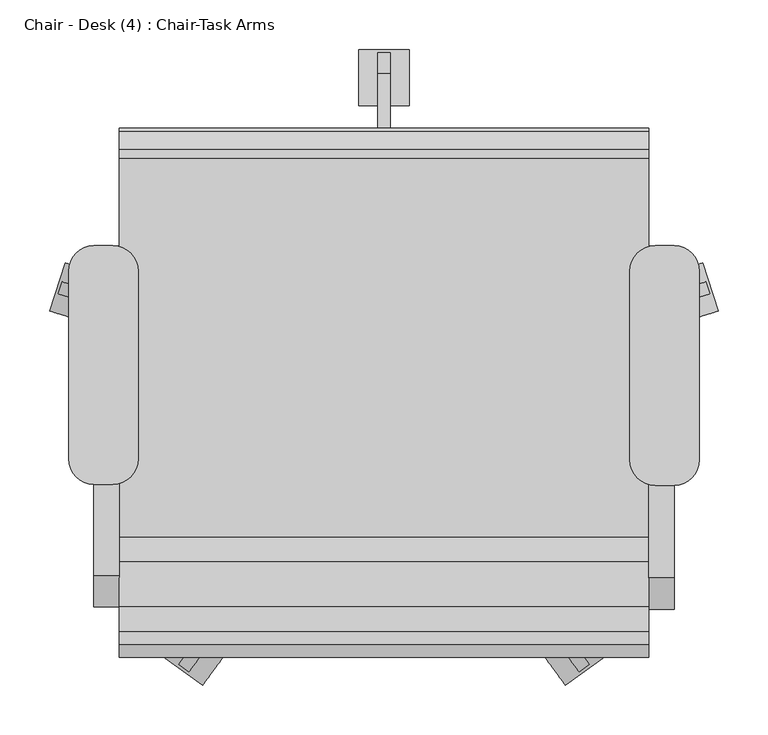
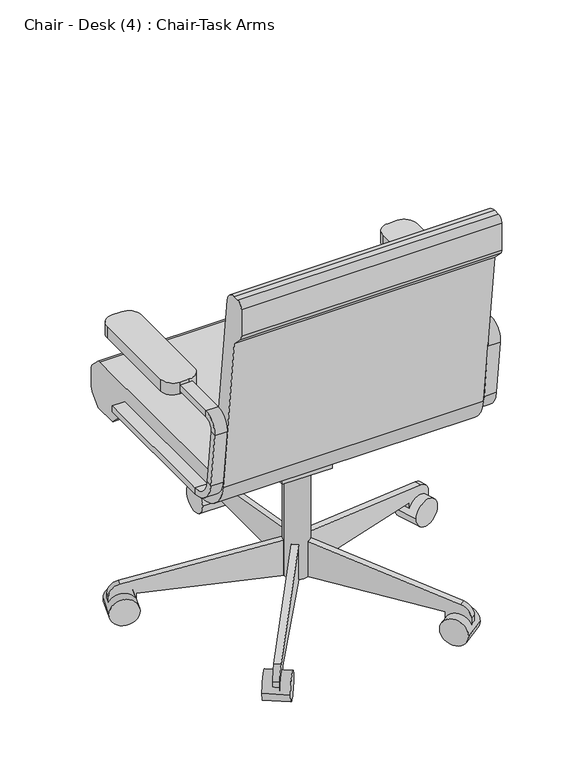
"""IFC4 building model written with IfcOpenShell, lengths in millimetres: furniture geometry, Chair - Desk (4) : Chair-Task Arms."""

from ifc_helpers import new_model, si_unit, point, frame, frame_2d, origin, place, context, project, spatial, polyline, circle_curve, trimmed, segment, composite_curve, outline, extrude, source, transform, mapped, element, save
from ifc_brep_helpers import plane_surface, cylinder_surface, revolved_surface, advanced_brep


def chair_desk_4_chair_task_arms_fa5a08ef(model_context):
    return source(origin(), model_context, "Body", "SolidModel", [
        extrude(outline(composite_curve([segment(polyline([(433.0908197, -74.2028048), (414.0408197, -74.2028048)]), True, "CONTINUOUS"), segment(trimmed(circle_curve(frame_2d((414.0408197, -48.8028048)), 25.4), [point((414.0408197, -74.2028048))], [point((388.6408197, -48.8028048))], False, "CARTESIAN"), True, "CONTINUOUS"), segment(polyline([(388.6408197, -48.8028048), (388.6408197, 141.6319091)]), True, "CONTINUOUS"), segment(trimmed(circle_curve(frame_2d((414.0408197, 141.6319091)), 25.4), [point((388.6408197, 141.6319091))], [point((414.0408197, 167.0319091))], False, "CARTESIAN"), True, "CONTINUOUS"), segment(polyline([(414.0408197, 167.0319091), (433.0908197, 167.0319091)]), True, "CONTINUOUS"), segment(trimmed(circle_curve(frame_2d((433.0908197, 141.6319091)), 25.4), [point((433.0908197, 167.0319091))], [point((458.4908197, 141.6319091))], False, "CARTESIAN"), True, "CONTINUOUS"), segment(polyline([(458.4908197, 141.6319091), (458.4908197, -48.8028048)]), True, "CONTINUOUS"), segment(trimmed(circle_curve(frame_2d((433.0908197, -48.8028048)), 25.4), [point((458.4908197, -48.8028048))], [point((433.0908197, -74.2028048))], False, "CARTESIAN"), True, "CONTINUOUS")], self_intersect=False)), frame((0.0, 0.0, 596.9), z_axis=(0.0, 0.0, 1.0), x_axis=(1.0, 0.0, 0.0)), (0.0, 0.0, 1.0), 25.4),
        extrude(outline(composite_curve([segment(polyline([(-132.0591803, -73.1575984), (-151.1091803, -73.1575984)]), True, "CONTINUOUS"), segment(trimmed(circle_curve(frame_2d((-151.1091803, -47.7575984)), 25.4), [point((-151.1091803, -73.1575984))], [point((-176.5091803, -47.7575984))], False, "CARTESIAN"), True, "CONTINUOUS"), segment(polyline([(-176.5091803, -47.7575984), (-176.5091803, 141.6319091)]), True, "CONTINUOUS"), segment(trimmed(circle_curve(frame_2d((-151.1091803, 141.6319091)), 25.4), [point((-176.5091803, 141.6319091))], [point((-151.1091803, 167.0319091))], False, "CARTESIAN"), True, "CONTINUOUS"), segment(polyline([(-151.1091803, 167.0319091), (-132.0591803, 167.0319091)]), True, "CONTINUOUS"), segment(trimmed(circle_curve(frame_2d((-132.0591803, 141.6319091)), 25.4), [point((-132.0591803, 167.0319091))], [point((-106.6591803, 141.6319091))], False, "CARTESIAN"), True, "CONTINUOUS"), segment(polyline([(-106.6591803, 141.6319091), (-106.6591803, -47.7575984)]), True, "CONTINUOUS"), segment(trimmed(circle_curve(frame_2d((-132.0591803, -47.7575984)), 25.4), [point((-106.6591803, -47.7575984))], [point((-132.0591803, -73.1575984))], False, "CARTESIAN"), True, "CONTINUOUS")], self_intersect=False)), frame((0.0, 0.0, 596.9), z_axis=(0.0, 0.0, 1.0), x_axis=(1.0, 0.0, 0.0)), (0.0, 0.0, 1.0), 25.4),
        advanced_brep(
        [(-151.1091803, 167.0319091, 412.75), (-151.1091803, 167.0319091, 425.45), (-125.7091803, 167.0319091, 425.45), (-125.7091803, 167.0319091, 412.75), (-151.1091803, -126.2388651, 412.75), (-151.1091803, -126.2388651, 425.45), (-125.7091803, -126.2388651, 425.45), (-125.7091803, -126.2388651, 412.75), (-151.1091803, -170.3844094, 464.7064065), (-151.1091803, -182.9974221, 463.2225227), (-125.7091803, -170.3844094, 464.7064065), (-125.7091803, -182.9974221, 463.2225227), (-151.1091803, -196.7936301, 580.4902904), (-151.1091803, -184.1806174, 581.9741742), (-125.7091803, -184.1806174, 581.9741742), (-125.7091803, -196.7936301, 580.4902904), (-151.1091803, -165.2610984, 603.25), (-151.1091803, -165.2610984, 615.95), (-125.7091803, -165.2610984, 603.25), (-125.7091803, -165.2610984, 615.95), (-151.1091803, 18.9459016, 615.95), (-125.7091803, 18.9459016, 615.95), (-125.7091803, 18.9459016, 603.25), (-151.1091803, 18.9459016, 603.25)],
        [
            (0, 1),
            (1, 2),
            (2, 3),
            (3, 0),
            (0, 4),
            (4, 5),
            (5, 1),
            (5, 6),
            (6, 2),
            (6, 7),
            (7, 3),
            (7, 4),
            (8, 5, circle_curve(frame((-151.1091803, -126.2388651, 469.9), z_axis=(1.0, 0.0, 0.0), x_axis=(0.0, 0.0, -1.0)), 44.45)),
            (4, 9, circle_curve(frame((-151.1091803, -126.2388651, 469.9), z_axis=(-1.0, 0.0, 0.0), x_axis=(0.0, 0.0, -1.0)), 57.15)),
            (9, 8),
            (10, 6, circle_curve(frame((-125.7091803, -126.2388651, 469.9), z_axis=(1.0, 0.0, 0.0), x_axis=(0.0, 0.0, -1.0)), 44.45)),
            (8, 10),
            (11, 7, circle_curve(frame((-125.7091803, -126.2388651, 469.9), z_axis=(1.0, 0.0, 0.0), x_axis=(0.0, 0.0, -1.0)), 57.15)),
            (10, 11),
            (11, 9),
            (9, 12),
            (12, 13),
            (13, 8),
            (13, 14),
            (14, 10),
            (14, 15),
            (15, 11),
            (15, 12),
            (16, 13, circle_curve(frame((-151.1091803, -165.2610984, 584.2), z_axis=(1.0, 0.0, 0.0), x_axis=(0.0, -0.9931506043228768, -0.11684124756739202)), 19.05)),
            (12, 17, circle_curve(frame((-151.1091803, -165.2610984, 584.2), z_axis=(-1.0, 0.0, 0.0), x_axis=(0.0, -0.9931506043228768, -0.11684124756739202)), 31.75)),
            (17, 16),
            (18, 14, circle_curve(frame((-125.7091803, -165.2610984, 584.2), z_axis=(1.0, 0.0, 0.0), x_axis=(0.0, -0.9931506043228768, -0.11684124756739202)), 19.05)),
            (16, 18),
            (19, 15, circle_curve(frame((-125.7091803, -165.2610984, 584.2), z_axis=(1.0, 0.0, 0.0), x_axis=(0.0, -0.9931506043228768, -0.11684124756739202)), 31.75)),
            (18, 19),
            (19, 17),
            (20, 21),
            (21, 22),
            (22, 23),
            (23, 20),
            (17, 20),
            (23, 16),
            (22, 18),
            (21, 19),
        ],
        [
            plane_surface(frame((-152.608212, 167.0319091, 419.1), z_axis=(0.0, 1.0, 0.0), x_axis=(0.0, 0.0, -1.0))),
            plane_surface(frame((-151.1091803, 167.0319091, 412.75), z_axis=(-1.0, 0.0, 0.0), x_axis=(0.0, -1.0, 0.0))),
            plane_surface(frame((-151.1091803, 167.0319091, 425.45), z_axis=(0.0, 0.0, 1.0), x_axis=(0.0, -1.0, 0.0))),
            plane_surface(frame((-125.7091803, 167.0319091, 425.45), z_axis=(1.0, 0.0, 0.0), x_axis=(0.0, -1.0, 0.0))),
            plane_surface(frame((-125.7091803, 167.0319091, 412.75), z_axis=(0.0, 0.0, -1.0), x_axis=(0.0, -1.0, 0.0))),
            plane_surface(frame((-151.1091803, -126.2388651, 469.9), z_axis=(-1.0, 0.0, 0.0), x_axis=(0.0, 0.0, -1.0))),
            revolved_surface(polyline([(-151.1091803, -126.2388651, 425.45), (-125.7091803, -126.2388651, 425.45)]), (-138.4091803, -126.2388651, 469.9), (-1.0, 0.0, 0.0)),
            plane_surface(frame((-125.7091803, -126.2388651, 469.9), z_axis=(1.0, 0.0, 0.0), x_axis=(0.0, 0.0, -1.0))),
            cylinder_surface(frame((-138.4091803, -126.2388651, 469.9), z_axis=(-1.0, 0.0, 0.0), x_axis=(0.0, 0.0, -1.0)), 57.15),
            plane_surface(frame((-151.1091803, -182.9974221, 463.2225227), z_axis=(-1.0, 0.0, 0.0), x_axis=(0.0, -0.1168412475673856, 0.9931506043228776))),
            plane_surface(frame((-151.1091803, -170.3844094, 464.7064065), z_axis=(0.0, 0.9931506043228776, 0.1168412475673856), x_axis=(0.0, -0.1168412475673856, 0.9931506043228776))),
            plane_surface(frame((-125.7091803, -170.3844094, 464.7064065), z_axis=(1.0, 0.0, 0.0), x_axis=(0.0, -0.1168412475673856, 0.9931506043228776))),
            plane_surface(frame((-125.7091803, -182.9974221, 463.2225227), z_axis=(0.0, -0.9931506043228776, -0.1168412475673856), x_axis=(0.0, -0.1168412475673856, 0.9931506043228776))),
            plane_surface(frame((-151.1091803, -165.2610984, 584.2), z_axis=(-1.0, 0.0, 0.0), x_axis=(0.0, -0.9931506043228768, -0.11684124756739202))),
            revolved_surface(polyline([(-151.1091803, -184.1806174123508, 581.9741742338413), (-125.7091803, -184.1806174123508, 581.9741742338413)]), (-138.4091803, -165.2610984, 584.2), (-1.0, 0.0, 0.0)),
            plane_surface(frame((-125.7091803, -165.2610984, 584.2), z_axis=(1.0, 0.0, 0.0), x_axis=(0.0, -0.9931506043228768, -0.11684124756739202))),
            cylinder_surface(frame((-138.4091803, -165.2610984, 584.2), z_axis=(-1.0, 0.0, 0.0), x_axis=(0.0, -0.9931506043228768, -0.11684124756739202)), 31.75),
            plane_surface(frame((-152.608212, 18.9459016, 609.6), z_axis=(0.0, 1.0, 0.0), x_axis=(0.0, 0.0, 1.0))),
            plane_surface(frame((-151.1091803, -165.2610984, 615.95), z_axis=(-1.0, 0.0, 0.0), x_axis=(0.0, 1.0, 0.0))),
            plane_surface(frame((-151.1091803, -165.2610984, 603.25), z_axis=(0.0, 0.0, -1.0), x_axis=(0.0, 1.0, 0.0))),
            plane_surface(frame((-125.7091803, -165.2610984, 603.25), z_axis=(1.0, 0.0, 0.0), x_axis=(0.0, 1.0, 0.0))),
            plane_surface(frame((-125.7091803, -165.2610984, 615.95), z_axis=(0.0, 0.0, 1.0), x_axis=(0.0, 1.0, 0.0))),
        ],
        [
            (0, [[1, 2, 3, 4]]),
            (1, [[-1, 5, 6, 7]]),
            (2, [[-2, -7, 8, 9]]),
            (3, [[-3, -9, 10, 11]]),
            (4, [[-4, -11, 12, -5]]),
            (5, [[13, -6, 14, 15]]),
            (6, [[16, -8, -13, 17]]),
            (7, [[18, -10, -16, 19]]),
            (8, [[-14, -12, -18, 20]]),
            (9, [[-15, 21, 22, 23]]),
            (10, [[-17, -23, 24, 25]]),
            (11, [[-19, -25, 26, 27]]),
            (12, [[-20, -27, 28, -21]]),
            (13, [[29, -22, 30, 31]]),
            (14, [[32, -24, -29, 33]]),
            (15, [[34, -26, -32, 35]]),
            (16, [[-30, -28, -34, 36]]),
            (17, [[37, 38, 39, 40]]),
            (18, [[-31, 41, -40, 42]]),
            (19, [[-33, -42, -39, 43]]),
            (20, [[-35, -43, -38, 44]]),
            (21, [[-36, -44, -37, -41]]),
        ],
    ),
        advanced_brep(
        [(433.0908197, 167.0319091, 425.45), (433.0908197, 167.0319091, 412.75), (407.6908197, 167.0319091, 412.75), (407.6908197, 167.0319091, 425.45), (433.0908197, -128.329278, 425.45), (433.0908197, -128.329278, 412.75), (407.6908197, -128.329278, 412.75), (407.6908197, -128.329278, 425.45), (433.0908197, -185.0878351, 463.2225227), (433.0908197, -172.4748224, 464.7064065), (407.6908197, -185.0878351, 463.2225227), (407.6908197, -172.4748224, 464.7064065), (433.0908197, -186.2710303, 581.9741742), (433.0908197, -198.884043, 580.4902904), (407.6908197, -198.884043, 580.4902904), (407.6908197, -186.2710303, 581.9741742), (433.0908197, -167.3515113, 615.95), (433.0908197, -167.3515113, 603.25), (407.6908197, -167.3515113, 615.95), (407.6908197, -167.3515113, 603.25), (433.0908197, 18.9459016, 603.25), (407.6908197, 18.9459016, 603.25), (407.6908197, 18.9459016, 615.95), (433.0908197, 18.9459016, 615.95)],
        [
            (0, 1),
            (1, 2),
            (2, 3),
            (3, 0),
            (0, 4),
            (4, 5),
            (5, 1),
            (5, 6),
            (6, 2),
            (6, 7),
            (7, 3),
            (7, 4),
            (8, 5, circle_curve(frame((433.0908197, -128.329278, 469.9), z_axis=(1.0, 0.0, 0.0), x_axis=(0.0, 0.0, -1.0)), 57.15)),
            (4, 9, circle_curve(frame((433.0908197, -128.329278, 469.9), z_axis=(-1.0, 0.0, 0.0), x_axis=(0.0, 0.0, -1.0)), 44.45)),
            (9, 8),
            (10, 6, circle_curve(frame((407.6908197, -128.329278, 469.9), z_axis=(1.0, 0.0, 0.0), x_axis=(0.0, 0.0, -1.0)), 57.15)),
            (8, 10),
            (11, 7, circle_curve(frame((407.6908197, -128.329278, 469.9), z_axis=(1.0, 0.0, 0.0), x_axis=(0.0, 0.0, -1.0)), 44.45)),
            (10, 11),
            (11, 9),
            (9, 12),
            (12, 13),
            (13, 8),
            (13, 14),
            (14, 10),
            (14, 15),
            (15, 11),
            (15, 12),
            (16, 13, circle_curve(frame((433.0908197, -167.3515113, 584.2), z_axis=(1.0, 0.0, 0.0), x_axis=(0.0, -0.9931506043228767, -0.1168412475673929)), 31.75)),
            (12, 17, circle_curve(frame((433.0908197, -167.3515113, 584.2), z_axis=(-1.0, 0.0, 0.0), x_axis=(0.0, -0.9931506043228767, -0.1168412475673929)), 19.05)),
            (17, 16),
            (18, 14, circle_curve(frame((407.6908197, -167.3515113, 584.2), z_axis=(1.0, 0.0, 0.0), x_axis=(0.0, -0.9931506043228767, -0.1168412475673929)), 31.75)),
            (16, 18),
            (19, 15, circle_curve(frame((407.6908197, -167.3515113, 584.2), z_axis=(1.0, 0.0, 0.0), x_axis=(0.0, -0.9931506043228767, -0.1168412475673929)), 19.05)),
            (18, 19),
            (19, 17),
            (20, 21),
            (21, 22),
            (22, 23),
            (23, 20),
            (17, 20),
            (23, 16),
            (22, 18),
            (21, 19),
        ],
        [
            plane_surface(frame((406.191788, 167.0319091, 419.1), z_axis=(0.0, 1.0, 0.0), x_axis=(0.0, 0.0, -1.0))),
            plane_surface(frame((433.0908197, 167.0319091, 425.45), z_axis=(1.0, 0.0, 0.0), x_axis=(0.0, -1.0, 0.0))),
            plane_surface(frame((433.0908197, 167.0319091, 412.75), z_axis=(0.0, 0.0, -1.0), x_axis=(0.0, -1.0, 0.0))),
            plane_surface(frame((407.6908197, 167.0319091, 412.75), z_axis=(-1.0, 0.0, 0.0), x_axis=(0.0, -1.0, 0.0))),
            plane_surface(frame((407.6908197, 167.0319091, 425.45), z_axis=(0.0, 0.0, 1.0), x_axis=(0.0, -1.0, 0.0))),
            plane_surface(frame((433.0908197, -128.329278, 469.9), z_axis=(1.0, 0.0, 0.0), x_axis=(0.0, 0.0, -1.0))),
            cylinder_surface(frame((420.3908197, -128.329278, 469.9), z_axis=(-1.0, 0.0, 0.0), x_axis=(0.0, 0.0, -1.0)), 57.15),
            plane_surface(frame((407.6908197, -128.329278, 469.9), z_axis=(-1.0, 0.0, 0.0), x_axis=(0.0, 0.0, -1.0))),
            revolved_surface(polyline([(407.6908197, -128.329278, 425.45), (433.0908197, -128.329278, 425.45)]), (420.3908197, -128.329278, 469.9), (-1.0, 0.0, 0.0)),
            plane_surface(frame((433.0908197, -172.4748224, 464.7064065), z_axis=(1.0, 0.0, 0.0), x_axis=(0.0, -0.11684124756738626, 0.9931506043228775))),
            plane_surface(frame((433.0908197, -185.0878351, 463.2225227), z_axis=(0.0, -0.9931506043228775, -0.11684124756738655), x_axis=(0.0, -0.11684124756738655, 0.9931506043228775))),
            plane_surface(frame((407.6908197, -185.0878351, 463.2225227), z_axis=(-1.0, 0.0, 0.0), x_axis=(0.0, -0.11684124756738626, 0.9931506043228775))),
            plane_surface(frame((407.6908197, -172.4748224, 464.7064065), z_axis=(0.0, 0.9931506043228775, 0.11684124756738626), x_axis=(0.0, -0.11684124756738626, 0.9931506043228775))),
            plane_surface(frame((433.0908197, -167.3515113, 584.2), z_axis=(1.0, 0.0, 0.0), x_axis=(0.0, -0.9931506043228767, -0.1168412475673929))),
            cylinder_surface(frame((420.3908197, -167.3515113, 584.2), z_axis=(-1.0, 0.0, 0.0), x_axis=(0.0, -0.9931506043228767, -0.1168412475673929)), 31.75),
            plane_surface(frame((407.6908197, -167.3515113, 584.2), z_axis=(-1.0, 0.0, 0.0), x_axis=(0.0, -0.9931506043228767, -0.1168412475673929))),
            revolved_surface(polyline([(407.6908197, -186.2710303123508, 581.9741742338412), (433.0908197, -186.2710303123508, 581.9741742338412)]), (420.3908197, -167.3515113, 584.2), (-1.0, 0.0, 0.0)),
            plane_surface(frame((406.191788, 18.9459016, 609.6), z_axis=(0.0, 1.0, 0.0), x_axis=(0.0, 0.0, 1.0))),
            plane_surface(frame((433.0908197, -167.3515113, 603.25), z_axis=(1.0, 0.0, 0.0), x_axis=(0.0, 1.0, 0.0))),
            plane_surface(frame((433.0908197, -167.3515113, 615.95), z_axis=(0.0, 0.0, 1.0), x_axis=(0.0, 1.0, 0.0))),
            plane_surface(frame((407.6908197, -167.3515113, 615.95), z_axis=(-1.0, 0.0, 0.0), x_axis=(0.0, 1.0, 0.0))),
            plane_surface(frame((407.6908197, -167.3515113, 603.25), z_axis=(0.0, 0.0, -1.0), x_axis=(0.0, 1.0, 0.0))),
        ],
        [
            (0, [[1, 2, 3, 4]]),
            (1, [[-1, 5, 6, 7]]),
            (2, [[-2, -7, 8, 9]]),
            (3, [[-3, -9, 10, 11]]),
            (4, [[-4, -11, 12, -5]]),
            (5, [[13, -6, 14, 15]]),
            (6, [[16, -8, -13, 17]]),
            (7, [[18, -10, -16, 19]]),
            (8, [[-14, -12, -18, 20]]),
            (9, [[-15, 21, 22, 23]]),
            (10, [[-17, -23, 24, 25]]),
            (11, [[-19, -25, 26, 27]]),
            (12, [[-20, -27, 28, -21]]),
            (13, [[29, -22, 30, 31]]),
            (14, [[32, -24, -29, 33]]),
            (15, [[34, -26, -32, 35]]),
            (16, [[-30, -28, -34, 36]]),
            (17, [[37, 38, 39, 40]]),
            (18, [[-31, 41, -40, 42]]),
            (19, [[-33, -42, -39, 43]]),
            (20, [[-35, -43, -38, 44]]),
            (21, [[-36, -44, -37, -41]]),
        ],
    ),
        extrude(outline(composite_curve([segment(trimmed(circle_curve(frame_2d((140.9908197, 18.9459016)), 25.4), [point((115.5908197, 18.9459016))], [point((166.3908197, 18.9459016))], False, "CARTESIAN"), True, "CONTINUOUS"), segment(trimmed(circle_curve(frame_2d((140.9908197, 18.9459016)), 25.4), [point((166.3908197, 18.9459016))], [point((115.5908197, 18.9459016))], False, "CARTESIAN"), True, "CONTINUOUS")], self_intersect=False)), frame((0.0, 0.0, 53.5835944), z_axis=(0.0, 0.0, 1.0), x_axis=(1.0, 0.0, 0.0)), (0.0, 0.0, 1.0), 330.5914056),
        extrude(outline(composite_curve([segment(trimmed(circle_curve(frame_2d((0.0, -28.2002727)), 28.2002727), [point((0.0, -56.4005455))], [point((0.0, 0.0))], False, "CARTESIAN"), True, "CONTINUOUS"), segment(trimmed(circle_curve(frame_2d((0.0, -28.2002727)), 28.2002727), [point((0.0, 0.0))], [point((0.0, -56.4005455))], False, "CARTESIAN"), True, "CONTINUOUS")], self_intersect=False)), frame((477.6203484, 101.6163254, 28.1835944), z_axis=(-0.3090169943749423, 0.9510565162951553, 0.0), x_axis=(0.0, 0.0, 1.0)), (0.0, 0.0, 1.0), 50.8),
        extrude(outline(composite_curve([segment(polyline([(-25.4, 0.0), (0.0, 0.0), (0.0, -50.8), (-24.303053, -50.8)]), True, "CONTINUOUS"), segment(trimmed(circle_curve(frame_2d((-24.303053, -25.4)), 25.4), [point((-24.303053, -50.8))], [point((-49.3171699, -29.8106637))], False, "CARTESIAN"), True, "CONTINUOUS"), segment(polyline([(-49.3171699, -29.8106637), (-101.6, 266.7), (-101.6, 292.1), (-25.4, 292.1), (-25.4, 0.0)]), True, "CONTINUOUS")], self_intersect=False)), frame((420.756686, 103.1705568, 28.1835944), z_axis=(-0.3090169943749423, 0.9510565162951553, 0.0), x_axis=(0.0, 0.0, -1.0)), (0.0, 0.0, 1.0), 12.7),
        extrude(outline(composite_curve([segment(trimmed(circle_curve(frame_2d((0.0, -28.2002727)), 28.2002727), [point((0.0, -56.4005455))], [point((0.0, 0.0))], False, "CARTESIAN"), True, "CONTINUOUS"), segment(trimmed(circle_curve(frame_2d((0.0, -28.2002727)), 28.2002727), [point((0.0, 0.0))], [point((0.0, -56.4005455))], False, "CARTESIAN"), True, "CONTINUOUS")], self_intersect=False)), frame((323.63931, -275.6612394, 28.1835944), z_axis=(0.8090169943749499, 0.5877852522924699, 0.0), x_axis=(0.0, 0.0, 1.0)), (0.0, 0.0, 1.0), 50.8),
        extrude(outline(composite_curve([segment(polyline([(-25.4, 0.0), (0.0, 0.0), (0.0, -50.8), (-24.303053, -50.8)]), True, "CONTINUOUS"), segment(trimmed(circle_curve(frame_2d((-24.303053, -25.3999999)), 25.4), [point((-24.303053, -50.8))], [point((-49.3171699, -29.8106636))], False, "CARTESIAN"), True, "CONTINUOUS"), segment(polyline([(-49.3171699, -29.8106636), (-101.6, 266.7), (-101.6, 292.1), (-25.4, 292.1), (-25.4, 0.0)]), True, "CONTINUOUS")], self_intersect=False)), frame((307.545634, -221.1003988, 28.1835944), z_axis=(0.8090169943749499, 0.5877852522924699, 0.0), x_axis=(0.0, 0.0, -1.0)), (0.0, 0.0, 1.0), 12.7),
        extrude(outline(composite_curve([segment(trimmed(circle_curve(frame_2d((0.0, -28.2002727)), 28.2002727), [point((0.0, -56.4005455))], [point((0.0, 0.0))], False, "CARTESIAN"), True, "CONTINUOUS"), segment(trimmed(circle_curve(frame_2d((0.0, -28.2002727)), 28.2002727), [point((0.0, 0.0))], [point((0.0, -56.4005455))], False, "CARTESIAN"), True, "CONTINUOUS")], self_intersect=False)), frame((-41.6576707, -275.6612394, 28.1835944), z_axis=(-0.8090169943749458, 0.5877852522924754, 0.0), x_axis=(0.0, 0.0, -1.0)), (0.0, 0.0, 1.0), 50.8),
        extrude(outline(composite_curve([segment(polyline([(25.4, 0.0), (25.4, 292.1), (101.6, 292.1), (101.6, 266.7), (49.3171699, -29.8106637)]), True, "CONTINUOUS"), segment(trimmed(circle_curve(frame_2d((24.303053, -25.3999999)), 25.4), [point((49.3171699, -29.8106637))], [point((24.303053, -50.8))], False, "CARTESIAN"), True, "CONTINUOUS"), segment(polyline([(24.303053, -50.8), (0.0, -50.8), (0.0, 0.0), (25.4, 0.0)]), True, "CONTINUOUS")], self_intersect=False)), frame((-25.5639946, -221.1003988, 28.1835944), z_axis=(-0.8090169943749459, 0.5877852522924754, 0.0), x_axis=(0.0, 0.0, 1.0)), (0.0, 0.0, 1.0), 12.7),
        extrude(outline(composite_curve([segment(trimmed(circle_curve(frame_2d((0.0, -28.2002727)), 28.2002727), [point((0.0, -56.4005454))], [point((0.0, 0.0))], False, "CARTESIAN"), True, "CONTINUOUS"), segment(trimmed(circle_curve(frame_2d((0.0, -28.2002727)), 28.2002727), [point((0.0, 0.0))], [point((0.0, -56.4005454))], False, "CARTESIAN"), True, "CONTINUOUS")], self_intersect=False)), frame((-195.638709, 101.6163254, 28.1835944), z_axis=(0.3090169943749487, 0.9510565162951532, 0.0), x_axis=(0.0, 0.0, -1.0)), (0.0, 0.0, 1.0), 50.8),
        extrude(outline(composite_curve([segment(polyline([(25.4, 0.0), (25.4, 292.1000001), (101.6, 292.1000001), (101.6, 266.7), (49.3171699, -29.8106636)]), True, "CONTINUOUS"), segment(trimmed(circle_curve(frame_2d((24.303053, -25.4)), 25.4), [point((49.3171699, -29.8106636))], [point((24.303053, -50.8))], False, "CARTESIAN"), True, "CONTINUOUS"), segment(polyline([(24.303053, -50.8), (0.0, -50.8), (0.0, 0.0), (25.4, 0.0)]), True, "CONTINUOUS")], self_intersect=False)), frame((-138.7750467, 103.1705568, 28.1835944), z_axis=(0.3090169943749487, 0.9510565162951532, 0.0), x_axis=(0.0, 0.0, 1.0)), (0.0, 0.0, 1.0), 12.7),
        extrude(outline(composite_curve([segment(trimmed(circle_curve(frame_2d((336.4459016, 28.1835944)), 28.2002727), [point((308.2456289, 28.1835944))], [point((364.6461744, 28.1835944))], False, "CARTESIAN"), True, "CONTINUOUS"), segment(trimmed(circle_curve(frame_2d((336.4459016, 28.1835944)), 28.2002727), [point((364.6461744, 28.1835944))], [point((308.2456289, 28.1835944))], False, "CARTESIAN"), True, "CONTINUOUS")], self_intersect=False)), frame((115.5908197, 0.0, 0.0), z_axis=(1.0, 0.0, 0.0), x_axis=(0.0, 1.0, 0.0)), (0.0, 0.0, 1.0), 50.8),
        extrude(outline(composite_curve([segment(polyline([(311.0459016, 53.5835944), (18.9459016, 53.5835944), (18.9459016, 129.7835944), (44.3459016, 129.7835944), (340.8565654, 77.5007643)]), True, "CONTINUOUS"), segment(trimmed(circle_curve(frame_2d((336.4459016, 52.4866474)), 25.4), [point((340.8565654, 77.5007643))], [point((361.8459016, 52.4866474))], False, "CARTESIAN"), True, "CONTINUOUS"), segment(polyline([(361.8459016, 52.4866474), (361.8459016, 28.1835944), (311.0459016, 28.1835944), (311.0459016, 53.5835944)]), True, "CONTINUOUS")], self_intersect=False)), frame((134.6408197, 0.0, 0.0), z_axis=(1.0, 0.0, 0.0), x_axis=(0.0, 1.0, 0.0)), (0.0, 0.0, 1.0), 12.7),
        extrude(outline(polyline([(69.7459016, 383.7835944), (69.7459016, 371.0835944), (18.9459016, 283.0954134), (-19.1540984, 283.0954134), (-19.1540984, 383.7835944), (69.7459016, 383.7835944)])), frame((90.1908197, 0.0, 0.0), z_axis=(1.0, 0.0, 0.0), x_axis=(0.0, 1.0, 0.0)), (0.0, 0.0, 1.0), 101.6),
        extrude(outline(composite_curve([segment(polyline([(-126.2050455, 457.2), (255.0102301, 457.2)]), True, "CONTINUOUS"), segment(trimmed(circle_curve(frame_2d((255.0102301, 444.5)), 12.7), [point((255.0102301, 457.2))], [point((263.9604301, 453.510212))], False, "CARTESIAN"), True, "CONTINUOUS"), segment(polyline([(263.9604301, 453.510212), (281.8961016, 435.6939999)]), True, "CONTINUOUS"), segment(trimmed(circle_curve(frame_2d((272.9459016, 426.6837879)), 12.7), [point((281.8961016, 435.6939999))], [point((285.6459016, 426.6837879))], False, "CARTESIAN"), True, "CONTINUOUS"), segment(polyline([(285.6459016, 426.6837879), (285.6459016, 391.6405184)]), True, "CONTINUOUS"), segment(trimmed(circle_curve(frame_2d((260.2459016, 391.6405184)), 25.4), [point((285.6459016, 391.6405184))], [point((278.2663256, 373.7401184))], False, "CARTESIAN"), True, "CONTINUOUS"), segment(polyline([(278.2663256, 373.7401184), (260.2470284, 355.6), (209.4470284, 355.6), (181.0744602, 383.7835944), (-107.1089978, 383.7835944)]), True, "CONTINUOUS"), segment(trimmed(circle_curve(frame_2d((-107.1089978, 459.9835944)), 76.2), [point((-107.1089978, 383.7835944))], [point((-182.7870738, 451.0802913))], False, "CARTESIAN"), True, "CONTINUOUS"), segment(polyline([(-182.7870738, 451.0802913), (-222.3540984, 787.4), (-244.0343545, 809.0802561)]), True, "CONTINUOUS"), segment(trimmed(circle_curve(frame_2d((-235.0540984, 818.0605122)), 12.7), [point((-244.0343545, 809.0802561))], [point((-247.7540984, 818.0605122))], False, "CARTESIAN"), True, "CONTINUOUS"), segment(polyline([(-247.7540984, 818.0605122), (-247.7540984, 876.3)]), True, "CONTINUOUS"), segment(trimmed(circle_curve(frame_2d((-235.0540984, 876.3)), 12.7), [point((-247.7540984, 876.3))], [point((-235.0540984, 889.0))], False, "CARTESIAN"), True, "CONTINUOUS"), segment(polyline([(-235.0540984, 889.0), (-222.1789239, 889.0)]), True, "CONTINUOUS"), segment(trimmed(circle_curve(frame_2d((-222.1789239, 863.6)), 25.4), [point((-222.1789239, 889.0))], [point((-196.9528985, 866.5677677))], False, "CARTESIAN"), True, "CONTINUOUS"), segment(polyline([(-196.9528985, 866.5677677), (-151.4310708, 479.6322323)]), True, "CONTINUOUS"), segment(trimmed(circle_curve(frame_2d((-126.2050455, 482.6)), 25.4), [point((-151.4310708, 479.6322323))], [point((-126.2050455, 457.2))], True, "CARTESIAN"), True, "CONTINUOUS")], self_intersect=False)), frame((-125.7091803, 0.0, 0.0), z_axis=(1.0, 0.0, 0.0), x_axis=(0.0, 1.0, 0.0)), (0.0, 0.0, 1.0), 533.4),
    ])


if __name__ == "__main__":
    model = new_model("IFC4")
    model_context = context("Model", 3, world=origin())
    ifc_project = project(units=[si_unit("LENGTHUNIT", "METRE", prefix="MILLI")], contexts=[model_context])
    site = spatial("IfcSite", under=ifc_project)
    building = spatial("IfcBuilding", under=site)
    placement = place(None, origin())
    chair_desk_4_chair_task_arms_shape = chair_desk_4_chair_task_arms_fa5a08ef(model_context)
    element("IfcFurniture", 1, ObjectType="Chair - Desk (4) : Chair-Task Arms", at=placement, inside=building, context=model_context, shape_type="MappedRepresentation", body=[
        mapped(chair_desk_4_chair_task_arms_shape, transform((0.0, 0.0, 0.0), x_axis=(1.0, 0.0, 0.0), y_axis=(0.0, 1.0, 0.0), z_axis=(0.0, 0.0, 1.0))),
    ])
    save(model, "model.ifc")
